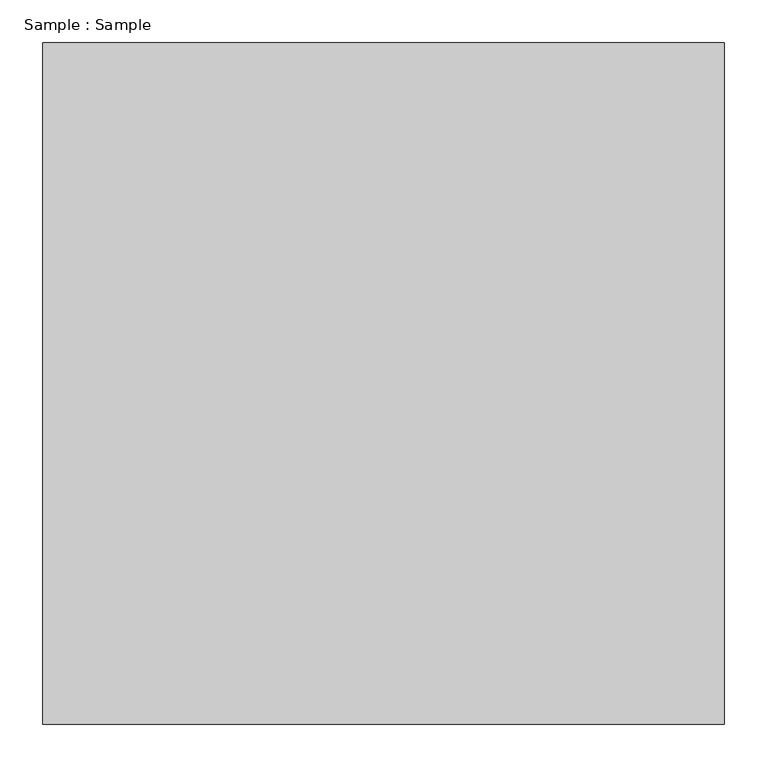
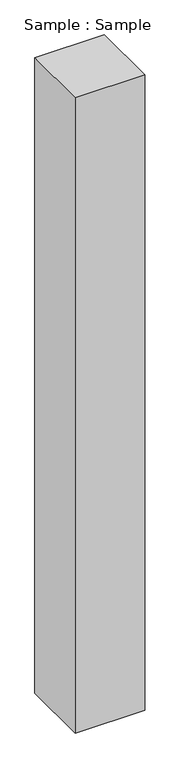
"""IFC4 building model written with IfcOpenShell, lengths in millimetres: proxy geometry, Sample : Sample."""

from ifc_helpers import new_model, si_unit, origin, origin_with_axes, place, context, project, spatial, polyline, outline, extrude, source, transform, mapped, element, save


def sample_sample_1d9f1056(model_context):
    return source(origin(), model_context, "Body", "SweptSolid", [
        extrude(outline(polyline([(400.0, 400.0), (400.0, -400.0), (-400.0, -400.0), (-400.0, 400.0), (400.0, 400.0)])), origin_with_axes(), (0.0, 0.0, 1.0), 7724.137931),
    ])


if __name__ == "__main__":
    model = new_model("IFC4")
    model_context = context("Model", 3, world=origin())
    ifc_project = project(units=[si_unit("LENGTHUNIT", "METRE", prefix="MILLI")], contexts=[model_context])
    site = spatial("IfcSite", under=ifc_project)
    building = spatial("IfcBuilding", under=site)
    placement = place(None, origin())
    sample_sample_shape = sample_sample_1d9f1056(model_context)
    element("IfcBuildingElementProxy", 1, Name="Sample : Sample", ObjectType="Sample : Sample", at=placement, inside=building, context=model_context, shape_type="MappedRepresentation", body=[
        mapped(sample_sample_shape, transform((0.0, 0.0, 0.0), x_axis=(1.0, 0.0, 0.0), y_axis=(0.0, 1.0, 0.0), z_axis=(0.0, 0.0, 1.0))),
    ])
    save(model, "model.ifc")
